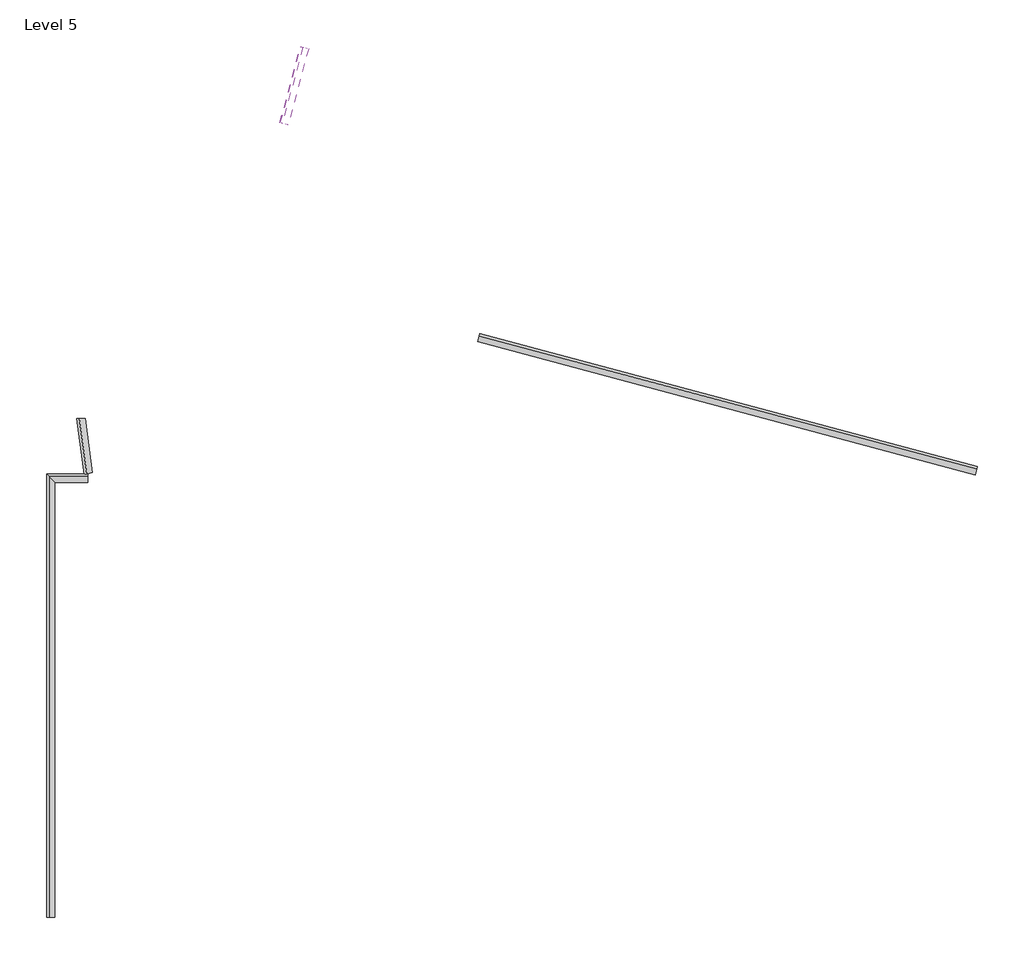
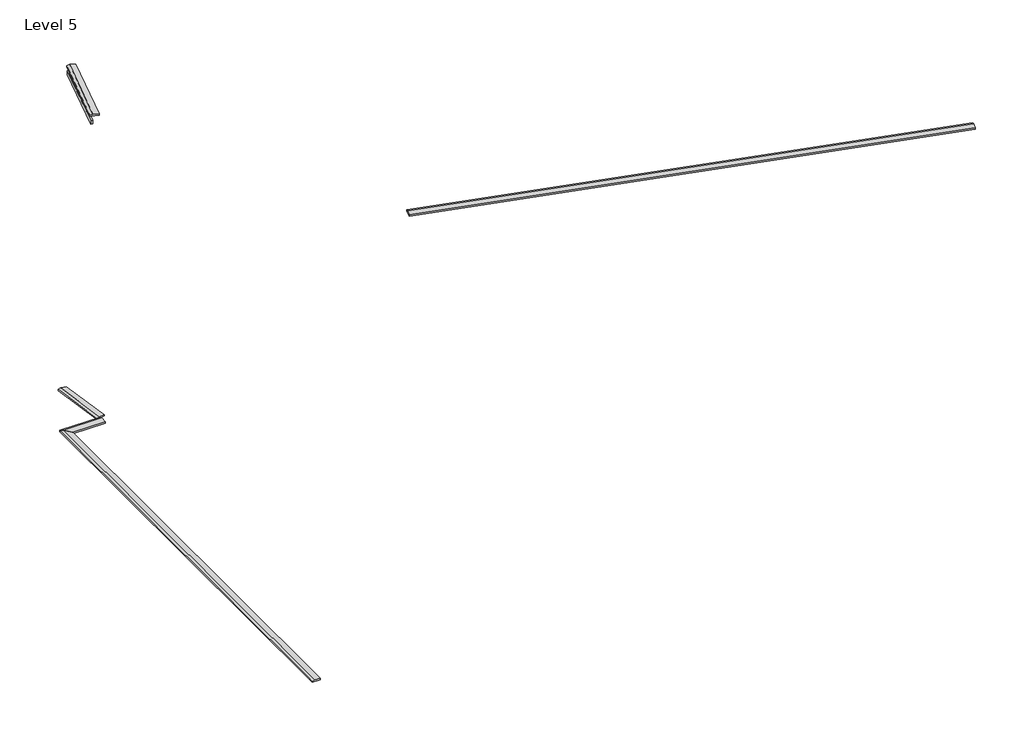
# One storey: 6 proxies.
"""IFC4 building model written with IfcOpenShell, lengths in millimetres."""

from ifc_helpers import new_model, si_unit, frame, origin, place, context, project, spatial, polyline, circle_curve, outline, extrude, faceted_brep, element, save
from ifc_brep_helpers import plane_surface, cylinder_surface, revolved_surface, advanced_brep

model = new_model("IFC4")

# Units and contexts
model_context = context("Model", 3, world=origin())
ifc_project = project(units=[si_unit("LENGTHUNIT", "METRE", prefix="MILLI")], contexts=[model_context])

# Site, building, storey
site = spatial("IfcSite", under=ifc_project)
building = spatial("IfcBuilding", under=site)
storey = spatial("IfcBuildingStorey", under=building, Name="Level 5", Elevation=10820.4)

# Proxies
placement = place(None, origin())
element("IfcBuildingElementProxy", 1, Name="Wall Sweeps", at=placement, inside=storey, context=model_context, shape_type="SweptSolid", body=[
    extrude(outline(polyline([(-381.0000001, -449.7554207), (-381.0000001, -386.2554207), (25.3999999, -386.2554207), (25.3999999, -449.7554207), (-101.6000001, -487.8554207), (-381.0000001, -449.7554207)])), frame((-6702.0020221, -11677.576904, 10434.1445793), z_axis=(-0.9659258262890675, 0.2588190451025238, 0.0), x_axis=(0.2588190451025238, 0.9659258262890675, 0.0)), (0.0, 0.0, 1.0), 24842.9218871),
])
element("IfcBuildingElementProxy", 2, Name="Wall Sweeps", at=placement, inside=storey, context=model_context, shape_type="Brep", body=[
    faceted_brep([(-51182.1645221, -12411.8057115, 10883.9), (-51461.5645221, -12132.4057115, 10922.0), (-51588.5645221, -12005.4057115, 10883.9), (-51588.5645221, -12005.4057115, 10820.4), (-51182.1645221, -12411.8057115, 10820.4), (-49600.8659473, -12411.8057115, 10883.9), (-49600.8659473, -12411.8057115, 10820.4), (-49600.8659473, -12005.4057115, 10820.4), (-49600.8659473, -12005.4057115, 10883.9), (-49600.8659473, -12132.4057115, 10922.0)], [[[0, 1, 2, 3, 4]], [[5, 6, 7, 8, 9]], [[1, 0, 5, 9]], [[2, 1, 9, 8]], [[3, 2, 8, 7]], [[4, 3, 7, 6]], [[0, 4, 6, 5]]]),
])
element("IfcBuildingElementProxy", 3, Name="Wall Sweeps", at=placement, inside=storey, context=model_context, shape_type="Brep", body=[
    faceted_brep([(-51182.1645221, -33395.8211051, 10883.9), (-51461.5645221, -33395.8211051, 10922.0), (-51588.5645221, -33395.8211051, 10883.9), (-51588.5645221, -33395.8211051, 10820.4), (-51182.1645221, -33395.8211051, 10820.4), (-51182.1645221, -12411.8057115, 10883.9), (-51182.1645221, -12411.8057115, 10820.4), (-51588.5645221, -12005.4057115, 10820.4), (-51588.5645221, -12005.4057115, 10883.9), (-51461.5645221, -12132.4057115, 10922.0)], [[[0, 1, 2, 3, 4]], [[5, 6, 7, 8, 9]], [[1, 0, 5, 9]], [[2, 1, 9, 8]], [[3, 2, 8, 7]], [[4, 3, 7, 6]], [[0, 4, 6, 5]]]),
])
element("IfcBuildingElementProxy", 4, Name="Wall Sweeps", at=placement, inside=storey, context=model_context, shape_type="AdvancedBrep", body=[
    advanced_brep(
    [(-49727.8756324, -9334.3393323, 10883.9), (-49727.8756324, -9334.3393323, 10820.4), (-49756.4506324, -9334.3393323, 10820.4), (-49904.5431337, -9334.3393323, 10820.4), (-50031.5501888, -9334.3393323, 10820.4), (-50108.8756324, -9334.3393323, 10820.4), (-50134.2756324, -9334.3393323, 10820.4), (-50134.2756324, -9334.3393323, 10883.9), (-50007.2756324, -9334.3393323, 10922.0), (-49378.9571343, -11930.2003357, 10883.9), (-49648.44048, -12003.9776113, 10922.0), (-49770.9329099, -12037.5127365, 10883.9), (-49770.9329099, -12037.5127365, 10820.4), (-49378.9571343, -11930.2003357, 10820.4)],
    [
        (0, 1),
        (1, 2),
        (2, 3),
        (3, 4),
        (4, 5),
        (5, 6),
        (6, 7),
        (7, 8),
        (8, 0),
        (9, 10),
        (10, 11),
        (11, 12),
        (12, 13),
        (13, 9),
        (13, 1, circle_curve(frame((-39897.1579938, -9334.3393323, 10820.4), z_axis=(0.0, 0.0, -1.0), x_axis=(-1.0, 0.0, 0.0)), 9830.7176387)),
        (0, 9, circle_curve(frame((-39897.1579938, -9334.3393323, 10883.9), z_axis=(0.0, 0.0, 1.0), x_axis=(-1.0, 0.0, 0.0)), 9830.7176387)),
        (12, 6, circle_curve(frame((-39897.1579938, -9334.3393323, 10820.4), z_axis=(0.0, 0.0, -1.0), x_axis=(-1.0, 0.0, 0.0)), 10237.1176387)),
        (11, 7, circle_curve(frame((-39897.1579938, -9334.3393323, 10883.9), z_axis=(0.0, 0.0, -1.0), x_axis=(-1.0, 0.0, 0.0)), 10237.1176387)),
        (10, 8, circle_curve(frame((-39897.1579938, -9334.3393323, 10922.0), z_axis=(0.0, 0.0, -1.0), x_axis=(-1.0, 0.0, 0.0)), 10110.1176387)),
    ],
    [
        plane_surface(frame((-39897.1579938, -9334.3393323, 10820.4), z_axis=(0.0, 1.0, 0.0), x_axis=(-1.0, 0.0, 0.0))),
        plane_surface(frame((-39897.1579938, -9334.3393323, 10820.4), z_axis=(0.26405610442611943, -0.9645073217530816, 0.0), x_axis=(-0.9645073217530816, -0.26405610442611943, 0.0))),
        revolved_surface(polyline([(-49727.8756325, -9334.3393323, 10883.9), (-49727.8756325, -9334.3393323, 10820.4)]), (-39897.1579938, -9334.3393323, 10820.4), (0.0, 0.0, 1.0)),
        plane_surface(frame((-39897.1579938, -9334.3393323, 10820.4), z_axis=(0.0, 0.0, -1.0), x_axis=(-1.0, 0.0, 0.0))),
        cylinder_surface(frame((-39897.1579938, -9334.3393323, 10820.4), z_axis=(0.0, 0.0, 1.0), x_axis=(-1.0, 0.0, 0.0)), 10237.1176387),
        revolved_surface(polyline([(-50134.2756324, -9334.3393323, 10883.9), (-50007.2756324, -9334.3393323, 10922.0)]), (-39897.1579938, -9334.3393323, 10820.4), (0.0, 0.0, 1.0)),
        revolved_surface(polyline([(-50007.2756324, -9334.3393323, 10922.0), (-49727.8756324, -9334.3393323, 10883.9)]), (-39897.1579938, -9334.3393323, 10820.4), (0.0, 0.0, 1.0)),
    ],
    [
        (0, [[1, 2, 3, 4, 5, 6, 7, 8, 9]]),
        (1, [[10, 11, 12, 13, 14]]),
        (2, [[15, -1, 16, -14]]),
        (3, [[17, -6, -5, -4, -3, -2, -15, -13]]),
        (4, [[18, -7, -17, -12]]),
        (5, [[19, -8, -18, -11]]),
        (6, [[-16, -9, -19, -10]]),
    ],
),
])
element("IfcBuildingElementProxy", 5, Name="Wall Sweeps", at=placement, inside=storey, context=model_context, shape_type="SweptSolid", body=[
    extrude(outline(polyline([(-39321.9049816, 8610.3499719), (-39232.9673612, 8586.5192083), (-40219.067923, 4906.3418102), (-40308.0055435, 4930.1725738), (-39321.9049816, 8610.3499719)])), frame((0.0, 0.0, 12508.6895232), z_axis=(0.0, 0.0, 1.0), x_axis=(1.0, 0.0, 0.0)), (0.0, 0.0, 1.0), 203.2),
])
element("IfcBuildingElementProxy", 6, Name="Wall Sweeps", at=placement, inside=storey, context=model_context, shape_type="Brep", body=[
    faceted_brep([(-38953.8872418, 8511.7399157, 12978.5895232), (-38953.8872418, 8511.7399157, 12915.0895232), (-38981.4885723, 8519.1356699, 12915.0895232), (-39321.9049816, 8610.3499719, 12915.0895232), (-39346.4394976, 8616.9239757, 12915.0895232), (-39346.4394976, 8616.9239757, 12978.5895232), (-39223.7669177, 8584.0539569, 13016.6895232), (-39939.9878036, 4831.5625176, 12978.5895232), (-40209.8674795, 4903.8765588, 13016.6895232), (-40332.5400594, 4936.7465775, 12978.5895232), (-40332.5400594, 4936.7465775, 12915.0895232), (-40308.0055435, 4930.1725738, 12915.0895232), (-39967.5891341, 4838.9582718, 12915.0895232), (-39939.9878036, 4831.5625176, 12915.0895232)], [[[0, 1, 2, 3, 4, 5, 6]], [[7, 8, 9, 10, 11, 12, 13]], [[0, 6, 8, 7]], [[6, 5, 9, 8]], [[5, 4, 10, 9]], [[4, 3, 2, 1, 13, 12, 11, 10]], [[1, 0, 7, 13]]]),
])

save(model, "model.ifc")
